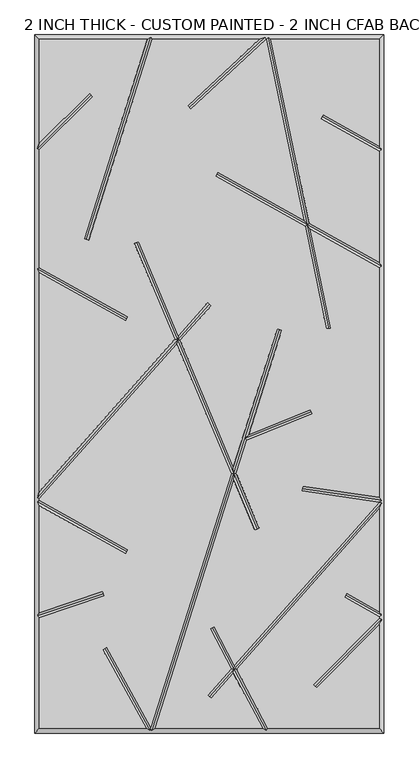
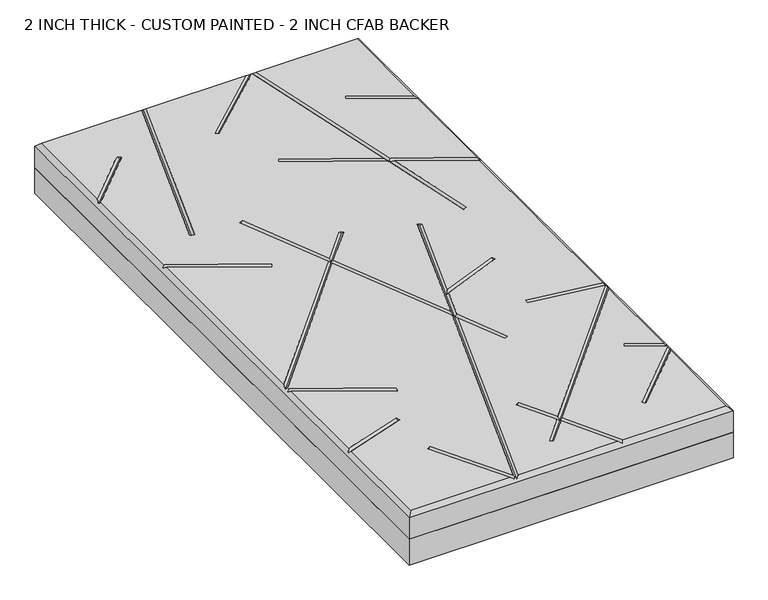
"""IFC4 building model written with IfcOpenShell, lengths in millimetres: proxy geometry, 2 INCH THICK - CUSTOM PAINTED - 2 INCH CFAB BACKER."""

from ifc_helpers import new_model, si_unit, frame, origin, place, context, project, spatial, polyline, outline, extrude, faceted_brep, source, transform, mapped, element, save


def proxy_2_inch_thick_custom_painted_2_inch_cfab_backer_179f3543(model_context):
    return source(origin(), model_context, "Body", "SolidModel", [
        extrude(outline(polyline([(-304.8, 609.6), (304.8, 609.6), (304.8, -609.6), (-304.8, -609.6), (-304.8, 609.6)])), frame((0.0, 0.0, -50.8), z_axis=(0.0, 0.0, 1.0), x_axis=(1.0, 0.0, 0.0)), (0.0, 0.0, 1.0), 50.8),
        faceted_brep([(-296.799, 601.599, 50.8), (-296.799, 420.0585614, 50.8), (-209.465267, 507.3922944, 50.8), (-203.8077056, 501.734733, 50.8), (-296.799, 408.7434386, 50.8), (-296.799, 203.3118869, 50.8), (-142.5916835, 117.1439143, 50.8), (-146.4945108, 110.1593642, 50.8), (-296.799, 194.1465147, 50.8), (-296.799, -188.1783655, 50.8), (-60.414797, 77.7314881, 50.8), (-130.9100687, 245.4965414, 50.8), (-123.5338229, 248.5960573, 50.8), (-54.5217155, 84.360647, 50.8), (-2.9898999, 142.3290618, 50.8), (2.9898999, 137.0132369, 50.8), (-51.0856167, 76.1833992, 50.8), (41.8198404, -144.9135422, 50.8), (118.4676512, 96.3670459, 50.8), (126.0931354, 93.9446518, 50.8), (68.2308495, -88.200751, 50.8), (176.389257, -44.7967941, 50.8), (179.3690728, -52.2222031, 50.8), (65.0919979, -98.0815805, 50.8), (46.6006106, -156.2908465, 50.8), (86.8913986, -252.1750957, 50.8), (79.5151528, -255.2746116, 50.8), (42.86425, -168.0525821, 50.8), (-94.8608114, -601.599, 50.8), (92.8718763, -601.599, 50.8), (41.9909547, -504.8565668, 50.8), (2.9898999, -548.7290618, 50.8), (-2.9898999, -543.4132369, 50.8), (38.011603, -497.2904271, 50.8), (1.2803392, -427.4514438, 50.8), (8.3616601, -423.7270787, 50.8), (43.691373, -490.9012234, 50.8), (296.799, -206.1791008, 50.8), (161.5180376, -186.5574472, 50.8), (162.66123, -178.6385386, 50.8), (296.799, -198.0029854, 50.8), (296.799, 203.0881131, 50.8), (176.1280645, 270.5166249, 50.8), (212.0312358, 97.6915725, 50.8), (204.1974911, 96.064168, 50.8), (166.8830535, 275.6825527, 50.8), (10.5996532, 363.0105994, 50.8), (14.5024805, 369.9951496, 50.8), (164.7289602, 286.0515892, 50.8), (99.1762375, 601.599, 50.8), (98.8402099, 601.599, 50.8), (-32.7718055, 479.8900914, 50.8), (-38.2040457, 485.7643375, 50.8), (87.055753, 601.599, 50.8), (-99.9441805, 601.599, 50.8), (-211.1838045, 251.4264167, 50.8), (-218.8092886, 253.8488108, 50.8), (-108.3391886, 601.599, 50.8), (101.9119977, -601.599, 50.8), (296.799, -601.599, 50.8), (296.799, -420.1587392, 50.8), (187.3700731, -530.5992999, 50.8), (181.6865411, -524.967829, 50.8), (296.799, -408.7911939, 50.8), (296.799, -406.5118869, 50.8), (236.129826, -372.6111626, 50.8), (240.0326533, -365.6266125, 50.8), (296.799, -397.3465147, 50.8), (296.799, -218.2216345, 50.8), (47.6707247, -498.4673632, 50.8), (173.9739712, 280.8856615, 50.8), (296.799, 212.2534853, 50.8), (296.799, 406.2881131, 50.8), (194.792886, 463.287095, 50.8), (198.6957133, 470.2716451, 50.8), (296.799, 415.4534853, 50.8), (296.799, 601.599, 50.8), (107.3480638, 601.599, 50.8), (38.0834798, -156.6752779, 50.8), (-56.9786982, 69.5542403, 50.8), (-296.799, -200.2208992, 50.8), (-296.799, -203.0881131, 50.8), (-142.5916835, -289.2560857, 50.8), (-146.4945108, -296.2406358, 50.8), (-296.799, -212.2534853, 50.8), (-296.799, -399.4880331, 50.8), (-186.4041101, -362.3555047, 50.8), (-183.8533173, -369.9390037, 50.8), (-296.799, -407.9295192, 50.8), (-296.799, -601.599, 50.8), (-110.5588891, -601.599, 50.8), (-186.2344077, -463.8225395, 50.8), (-179.2216231, -459.970676, 50.8), (-102.5869372, -599.4934169, 50.8), (-304.8, 609.6, 0.0), (304.8, 609.6, 0.0), (304.8, -609.6, 0.0), (-304.8, -609.6, 0.0), (-304.8, -609.6, 42.799), (-304.8, 609.6, 42.799), (304.8, -609.6, 42.799), (304.8, 609.6, 42.799), (-102.8708423, 605.5995, 46.7995), (97.2739907, 605.5995, 46.7995), (102.4310753, 605.5995, 46.7995), (-300.7995, -405.0543881, 46.7995), (-300.7995, -205.4353996, 46.7995), (-300.7995, -198.6998162, 46.7995), (-300.7995, 200.9646004, 46.7995), (-300.7995, 410.4005, 46.7995), (99.4959685, -605.5995, 46.7995), (-100.3291577, -605.5995, 46.7995), (-102.246608, -602.9785071, 49.4204929), (-103.7973268, -605.5995, 46.7995), (300.7995, 408.6353996, 46.7995), (300.7995, 205.4353996, 46.7995), (300.7995, -202.6224783, 46.7995), (300.7995, -207.7001838, 46.7995), (300.7995, -404.1646004, 46.7995), (300.7995, -410.4374833, 46.7995), (-206.6364863, 504.5635137, 46.7995), (-214.9965466, 252.6376137, 46.7995), (-144.5430971, 113.6516392, 46.7995), (12.5510669, 366.5028745, 46.7995), (170.4285124, 278.2841071, 46.7995), (-35.4879256, 482.8272145, 46.7995), (208.1143635, 96.8778703, 46.7995), (196.7442997, 466.77937, 46.7995), (122.2803933, 95.1558489, 46.7995), (42.3420452, -156.4830622, 46.7995), (61.850634, -95.0717351, 46.7995), (83.2032757, -253.7248536, 46.7995), (-127.2219458, 247.0462994, 46.7995), (-55.7502068, 76.9574436, 46.7995), (0.0, 139.6711493, 46.7995), (-185.1287137, -366.1472542, 46.7995), (-144.5430971, -292.7483608, 46.7995), (-182.7280154, -461.8966077, 46.7995), (4.8209997, -425.5892613, 46.7995), (42.8411639, -497.8788951, 46.7995), (184.5283071, -527.7835644, 46.7995), (238.0812397, -369.1188875, 46.7995), (0.0, -546.0711493, 46.7995), (162.0896338, -182.5979929, 46.7995), (177.8791649, -48.5094986, 46.7995)], [[[0, 1, 2, 3, 4, 5, 6, 7, 8, 9, 10, 11, 12, 13, 14, 15, 16, 17, 18, 19, 20, 21, 22, 23, 24, 25, 26, 27, 28, 29, 30, 31, 32, 33, 34, 35, 36, 37, 38, 39, 40, 41, 42, 43, 44, 45, 46, 47, 48, 49, 50, 51, 52, 53, 54, 55, 56, 57]], [[58, 59, 60, 61, 62, 63, 64, 65, 66, 67, 68, 69]], [[70, 71, 72, 73, 74, 75, 76, 77]], [[78, 79, 80, 81, 82, 83, 84, 85, 86, 87, 88, 89, 90, 91, 92, 93]], [[94, 95, 96, 97]], [[94, 97, 98, 99]], [[97, 96, 100, 98]], [[96, 95, 101, 100]], [[95, 94, 99, 101]], [[99, 0, 57, 102, 54, 53, 103, 50, 49, 104, 77, 76, 101]], [[0, 99, 98, 89, 88, 105, 85, 84, 106, 81, 80, 107, 9, 8, 108, 5, 4, 109, 1]], [[89, 98, 100, 59, 58, 110, 29, 28, 111, 112, 113, 90]], [[101, 76, 75, 114, 72, 71, 115, 41, 40, 116, 37, 117, 68, 67, 118, 64, 63, 119, 60, 59, 100]], [[2, 120, 3]], [[120, 2, 1, 109]], [[3, 120, 109, 4]], [[55, 121, 56]], [[121, 55, 54, 102]], [[56, 121, 102, 57]], [[6, 122, 7]], [[122, 6, 5, 108]], [[7, 122, 108, 8]], [[46, 123, 47]], [[41, 115, 124, 42]], [[123, 46, 45, 124]], [[115, 71, 70, 124]], [[47, 123, 124, 48]], [[51, 125, 52]], [[125, 51, 50, 103]], [[52, 125, 103, 53]], [[43, 126, 44]], [[44, 126, 124, 45]], [[124, 104, 49, 48]], [[126, 43, 42, 124]], [[104, 124, 70, 77]], [[73, 127, 74]], [[127, 73, 72, 114]], [[74, 127, 114, 75]], [[18, 128, 19]], [[111, 28, 27, 129]], [[19, 128, 130, 20]], [[129, 24, 23, 130]], [[128, 18, 17, 129, 130]], [[111, 129, 78, 93, 112]], [[25, 131, 26]], [[11, 132, 12]], [[78, 129, 133, 79]], [[26, 131, 129, 27]], [[132, 11, 10, 133]], [[129, 17, 16, 133]], [[131, 25, 24, 129]], [[12, 132, 133, 13]], [[14, 134, 15]], [[134, 14, 13, 133]], [[107, 133, 10, 9]], [[15, 134, 133, 16]], [[133, 107, 80, 79]], [[86, 135, 87]], [[135, 86, 85, 105]], [[87, 135, 105, 88]], [[82, 136, 83]], [[83, 136, 106, 84]], [[136, 82, 81, 106]], [[91, 137, 92]], [[137, 91, 90, 113]], [[92, 137, 113, 112, 93]], [[34, 138, 35]], [[29, 110, 139, 30]], [[138, 34, 33, 139]], [[110, 58, 69, 139]], [[35, 138, 139, 36]], [[61, 140, 62]], [[62, 140, 119, 63]], [[140, 61, 60, 119]], [[65, 141, 66]], [[141, 65, 64, 118]], [[66, 141, 118, 67]], [[31, 142, 32]], [[32, 142, 139, 33]], [[139, 117, 37, 36]], [[142, 31, 30, 139]], [[117, 139, 69, 68]], [[38, 143, 39]], [[143, 38, 37, 116]], [[39, 143, 116, 40]], [[21, 144, 22]], [[144, 21, 20, 130]], [[22, 144, 130, 23]]]),
    ])


if __name__ == "__main__":
    model = new_model("IFC4")
    model_context = context("Model", 3, world=origin())
    ifc_project = project(units=[si_unit("LENGTHUNIT", "METRE", prefix="MILLI")], contexts=[model_context])
    site = spatial("IfcSite", under=ifc_project)
    building = spatial("IfcBuilding", under=site)
    placement = place(None, origin())
    proxy_2_inch_thick_custom_painted_2_inch_cfab_backer_shape = proxy_2_inch_thick_custom_painted_2_inch_cfab_backer_179f3543(model_context)
    element("IfcBuildingElementProxy", 1, Name="2 INCH THICK - CUSTOM PAINTED - 2 INCH CFAB BACKER", ObjectType="2 INCH THICK - CUSTOM PAINTED - 2 INCH CFAB BACKER", at=placement, inside=building, context=model_context, shape_type="MappedRepresentation", body=[
        mapped(proxy_2_inch_thick_custom_painted_2_inch_cfab_backer_shape, transform((0.0, 0.0, 0.0), x_axis=(1.0, 0.0, 0.0), y_axis=(0.0, 1.0, 0.0), z_axis=(0.0, 0.0, 1.0))),
    ])
    save(model, "model.ifc")
